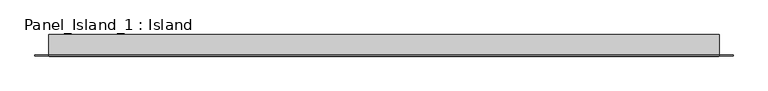
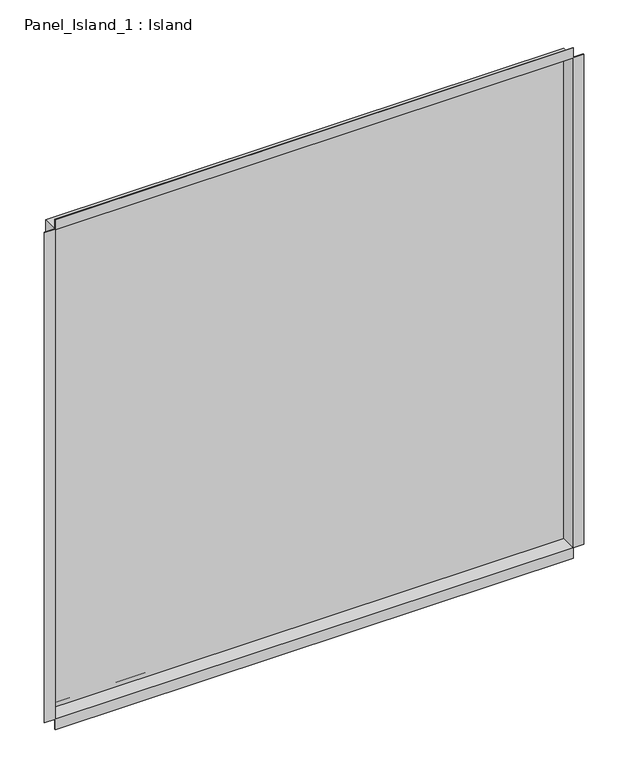
"""IFC4 building model written with IfcOpenShell, lengths in millimetres: plate geometry, Panel_Island_1 : Island."""

from ifc_helpers import new_model, si_unit, frame, origin, place, context, project, spatial, polyline, outline, extrude, faceted_brep, source, transform, mapped, element, save


def panel_island_1_island_f6decf39(model_context):
    return source(origin(), model_context, "Body", "SolidModel", [
        faceted_brep([(498.3499915, 31.2, 998.4), (498.3499915, 0.0, 998.4), (-498.3499915, 0.0, 998.4), (-498.3499915, 31.2, 998.4), (489.1499915, 32.0, 989.2), (489.1499915, 31.2, 989.2), (-489.1499915, 31.2, 989.2), (-489.1499915, 32.0, 989.2), (499.1499915, 32.0, 999.2), (-499.1499915, 32.0, 999.2), (-499.1499915, 1.5, 999.2), (499.1499915, 1.5, 999.2), (-498.3499915, 0.0, 1.4), (-498.3499915, 31.2, 1.4), (-489.1499915, 31.2, 10.6), (-489.1499915, 32.0, 10.6), (-499.1499915, 32.0, 0.6), (-499.1499915, 1.5, 0.6), (-499.1499915, 1.5, 1019.2), (-499.1499915, 0.0, 999.2), (-499.1499915, 0.0, 1019.2), (498.3499915, 0.0, 1.4), (498.3499915, 31.2, 1.4), (489.1499915, 31.2, 10.6), (489.1499915, 32.0, 10.6), (499.1499915, 32.0, 0.6), (499.1499915, 1.5, 0.6), (519.7499915, 1.5, 0.6), (519.7499915, 0.0, 0.6), (499.1499915, 0.0, 0.6), (-519.7499915, 1.5, 0.6), (-499.1499915, 0.0, 0.6), (-519.7499915, 0.0, 0.6), (499.1499915, 0.0, 1019.2), (-519.7499915, 0.0, 999.2), (-499.1499915, 0.0, -20.0), (499.1499915, 0.0, -20.0), (519.7499915, 0.0, 999.2), (499.1499915, 0.0, 999.2), (499.1499915, 1.5, 1019.2), (519.7499915, 1.5, 999.2), (-519.7499915, 1.5, 999.2), (499.1499915, 1.5, -20.0), (-499.1499915, 1.5, -20.0)], [[[0, 1, 2, 3]], [[4, 5, 6, 7]], [[8, 9, 10, 11]], [[3, 2, 12, 13]], [[7, 6, 14, 15]], [[9, 16, 17, 10]], [[18, 10, 19, 20]], [[13, 12, 21, 22]], [[15, 14, 23, 24]], [[16, 25, 26, 17]], [[26, 27, 28, 29]], [[30, 17, 31, 32]], [[33, 20, 19, 34, 32, 31, 35, 36, 29, 28, 37, 38], [2, 1, 21, 12]], [[1, 0, 22, 21]], [[0, 3, 13, 22], [6, 5, 23, 14]], [[5, 4, 24, 23]], [[9, 8, 25, 16], [4, 7, 15, 24]], [[25, 8, 11, 26]], [[11, 39, 33, 38]], [[10, 18, 39, 11]], [[20, 33, 39, 18]], [[11, 40, 27, 26]], [[38, 37, 40, 11]], [[37, 28, 27, 40]], [[17, 30, 41, 10]], [[32, 34, 41, 30]], [[34, 19, 10, 41]], [[26, 42, 43, 17]], [[35, 31, 17, 43]], [[36, 35, 43, 42]], [[29, 36, 42, 26]]]),
        extrude(outline(polyline([(498.3499915, 30.2), (-498.3499915, 30.2), (-498.3499915, 31.2), (498.3499915, 31.2), (498.3499915, 30.2)])), frame((0.0, 0.0, 1.4), z_axis=(0.0, 0.0, 1.0), x_axis=(1.0, 0.0, 0.0)), (0.0, 0.0, 1.0), 997.0),
        extrude(outline(polyline([(489.1499915, 31.2), (-489.1499915, 31.2), (-489.1499915, 32.0), (489.1499915, 32.0), (489.1499915, 31.2)])), frame((0.0, 0.0, 10.6), z_axis=(0.0, 0.0, 1.0), x_axis=(1.0, 0.0, 0.0)), (0.0, 0.0, 1.0), 978.6),
    ])


if __name__ == "__main__":
    model = new_model("IFC4")
    model_context = context("Model", 3, world=origin())
    ifc_project = project(units=[si_unit("LENGTHUNIT", "METRE", prefix="MILLI")], contexts=[model_context])
    site = spatial("IfcSite", under=ifc_project)
    building = spatial("IfcBuilding", under=site)
    placement = place(None, origin())
    panel_island_1_island_shape = panel_island_1_island_f6decf39(model_context)
    element("IfcPlate", 1, ObjectType="Panel_Island_1 : Island", at=placement, inside=building, context=model_context, shape_type="MappedRepresentation", body=[
        mapped(panel_island_1_island_shape, transform((0.0, 0.0, 0.0), x_axis=(1.0, 0.0, 0.0), y_axis=(0.0, 1.0, 0.0), z_axis=(0.0, 0.0, 1.0))),
    ])
    save(model, "model.ifc")
